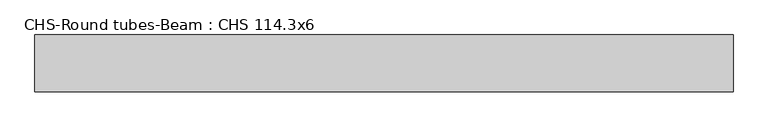
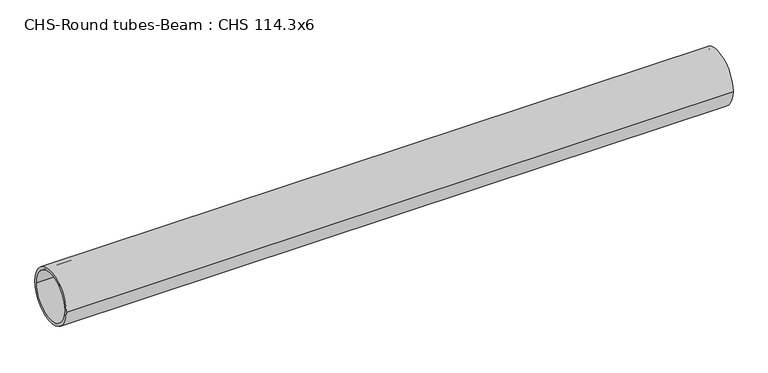
"""IFC4 building model written with IfcOpenShell, lengths in millimetres: beam geometry, CHS-Round tubes-Beam : CHS 114.3x6."""

from ifc_helpers import new_model, si_unit, point, frame, origin, origin_2d, place, context, project, spatial, circle_curve, trimmed, segment, composite_curve, outline, extrude, source, transform, mapped, element, save


def chs_round_tubes_beam_chs_114_3x6_d258153d(model_context):
    return source(origin(), model_context, "Body", "SweptSolid", [
        extrude(outline(composite_curve([segment(trimmed(circle_curve(origin_2d(), 57.15), [point((57.15, 0.0))], [point((-57.15, 0.0))], False, "CARTESIAN"), True, "CONTINUOUS"), segment(trimmed(circle_curve(origin_2d(), 57.15), [point((-57.15, 0.0))], [point((57.15, 0.0))], False, "CARTESIAN"), True, "CONTINUOUS")], self_intersect=False), holes=[composite_curve([segment(trimmed(circle_curve(origin_2d(), 51.15), [point((51.15, 0.0))], [point((-51.15, 0.0))], True, "CARTESIAN"), True, "CONTINUOUS"), segment(trimmed(circle_curve(origin_2d(), 51.15), [point((-51.15, 0.0))], [point((51.15, 0.0))], True, "CARTESIAN"), True, "CONTINUOUS")], self_intersect=False)]), frame((-774.1850172, 0.0, 0.0), z_axis=(1.0, 0.0, 0.0), x_axis=(0.0, 1.0, 0.0)), (0.0, 0.0, 1.0), 1404.0560015),
    ])


if __name__ == "__main__":
    model = new_model("IFC4")
    model_context = context("Model", 3, world=origin())
    ifc_project = project(units=[si_unit("LENGTHUNIT", "METRE", prefix="MILLI")], contexts=[model_context])
    site = spatial("IfcSite", under=ifc_project)
    building = spatial("IfcBuilding", under=site)
    placement = place(None, origin())
    chs_round_tubes_beam_chs_114_3x6_shape = chs_round_tubes_beam_chs_114_3x6_d258153d(model_context)
    element("IfcBeam", 1, ObjectType="CHS-Round tubes-Beam : CHS 114.3x6", at=placement, inside=building, context=model_context, shape_type="MappedRepresentation", body=[
        mapped(chs_round_tubes_beam_chs_114_3x6_shape, transform((0.0, 0.0, 0.0), x_axis=(1.0, 0.0, 0.0), y_axis=(0.0, 1.0, 0.0), z_axis=(0.0, 0.0, 1.0))),
    ])
    save(model, "model.ifc")
